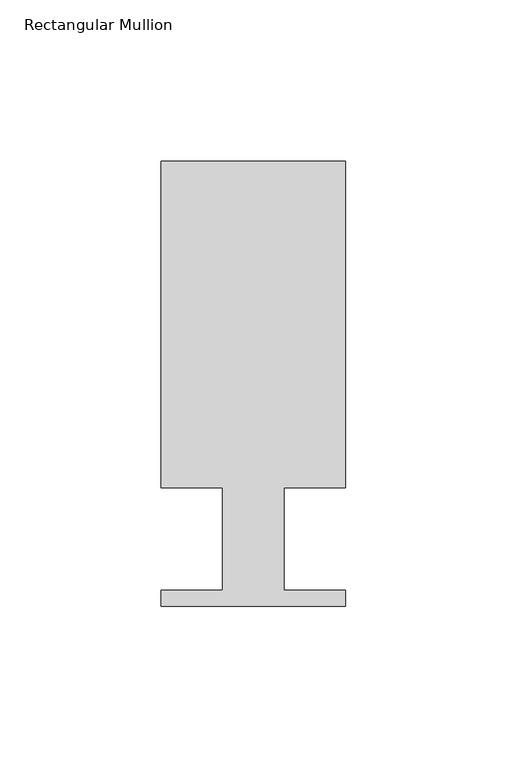
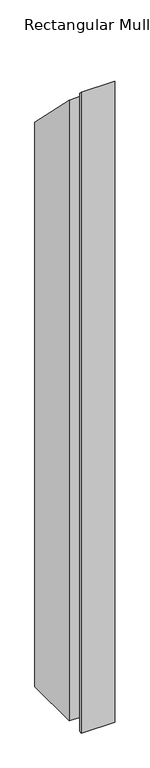
"""IFC4 building model written with IfcOpenShell, lengths in millimetres: member geometry, Rectangular Mullion."""

from ifc_helpers import new_model, si_unit, origin, place, context, project, spatial, faceted_brep, source, transform, mapped, element, save


def rectangular_mullion_8f1a01d3(model_context):
    return source(origin(), model_context, "Body", "Brep", [
        faceted_brep([(0.0, 138.3268125, -1161.0538437), (0.0, 37.1078125, -1161.0538437), (-19.05, 37.1078125, -1161.0538437), (-19.05, 5.3578125, -1161.0538437), (0.0, 5.3578125, -1161.0538437), (0.0, 0.5318125, -1161.0538437), (-57.15, 0.5318125, -1161.0538437), (-57.15, 5.3578125, -1161.0538437), (-38.1, 5.3578125, -1161.0538437), (-38.1, 37.1078125, -1161.0538437), (-57.15, 37.1078125, -1161.0538437), (-57.15, 138.3268125, -1161.0538437), (-57.15, 138.3268125, -138.3268125), (0.0, 138.3268125, -138.3268125), (-57.15, 37.1078125, -37.1078125), (-38.1, 37.1078125, -37.1078125), (-38.1, 5.3578125, -5.3578125), (-57.15, 5.3578125, -5.3578125), (-57.15, 0.5318125, -0.5318125), (0.0, 0.5318125, -0.5318125), (0.0, 5.3578125, -5.3578125), (-19.05, 5.3578125, -5.3578125), (-19.05, 37.1078125, -37.1078125), (0.0, 37.1078125, -37.1078125)], [[[0, 1, 2, 3, 4, 5, 6, 7, 8, 9, 10, 11]], [[12, 13, 0, 11]], [[14, 12, 11, 10]], [[15, 14, 10, 9]], [[16, 15, 9, 8]], [[17, 16, 8, 7]], [[18, 17, 7, 6]], [[19, 18, 6, 5]], [[20, 19, 5, 4]], [[21, 20, 4, 3]], [[22, 21, 3, 2]], [[23, 22, 2, 1]], [[13, 23, 1, 0]], [[13, 12, 14, 15, 16, 17, 18, 19, 20, 21, 22, 23]]]),
    ])


if __name__ == "__main__":
    model = new_model("IFC4")
    model_context = context("Model", 3, world=origin())
    ifc_project = project(units=[si_unit("LENGTHUNIT", "METRE", prefix="MILLI")], contexts=[model_context])
    site = spatial("IfcSite", under=ifc_project)
    building = spatial("IfcBuilding", under=site)
    placement = place(None, origin())
    rectangular_mullion_shape = rectangular_mullion_8f1a01d3(model_context)
    element("IfcMember", 1, ObjectType="Rectangular Mullion", at=placement, inside=building, context=model_context, shape_type="MappedRepresentation", body=[
        mapped(rectangular_mullion_shape, transform((0.0, 0.0, 0.0), x_axis=(1.0, 0.0, 0.0), y_axis=(0.0, 1.0, 0.0), z_axis=(0.0, 0.0, 1.0))),
    ])
    save(model, "model.ifc")
